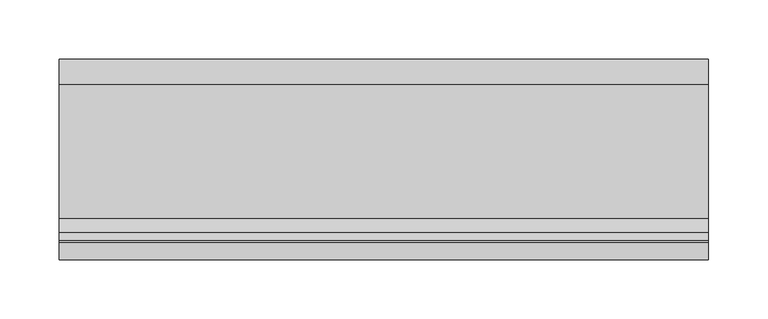
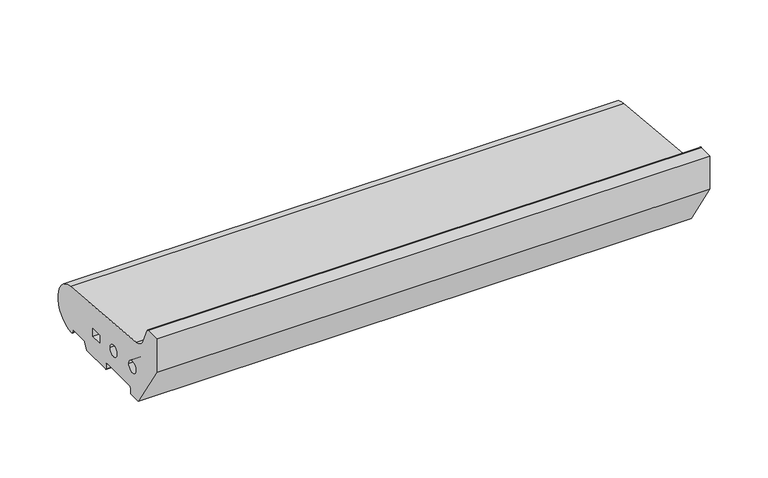
"""IFC4 building model written with IfcOpenShell, lengths in millimetres: proxy geometry."""

from ifc_helpers import new_model, si_unit, point, frame, frame_2d, origin, place, context, project, spatial, polyline, circle_curve, trimmed, segment, composite_curve, outline, extrude, source, transform, mapped, element, save


def generic_models_104a45ad(model_context):
    return source(origin(), model_context, "Body", "SweptSolid", [
        extrude(outline(composite_curve([segment(trimmed(circle_curve(frame_2d((26.0, 26.5)), 24.0), [point((28.0858073, 50.4091909))], [point((26.5981483, 2.5074549))], False, "CARTESIAN"), True, "CONTINUOUS"), segment(trimmed(circle_curve(frame_2d((26.5732255, 3.5071443)), 1.0), [point((26.5981483, 2.5074549))], [point((25.7072001, 3.0071443))], False, "CARTESIAN"), True, "CONTINUOUS"), segment(polyline([(25.7072001, 3.0071443), (23.6905989, 6.5)]), True, "CONTINUOUS"), segment(trimmed(circle_curve(frame_2d((21.9585481, 5.5)), 2.0), [point((23.6905989, 6.5))], [point((21.9585481, 7.5))], True, "CARTESIAN"), True, "CONTINUOUS"), segment(polyline([(21.9585481, 7.5), (5.4848276, 7.5)]), True, "CONTINUOUS"), segment(trimmed(circle_curve(frame_2d((5.4848276, 5.5)), 2.0), [point((5.4848276, 7.5))], [point((3.7527767, 6.5))], True, "CARTESIAN"), True, "CONTINUOUS"), segment(polyline([(3.7527767, 6.5), (0.2886751, 0.5)]), True, "CONTINUOUS"), segment(trimmed(circle_curve(frame_2d((-0.5773503, 1.0)), 1.0), [point((0.2886751, 0.5))], [point((-0.5773503, 0.0))], False, "CARTESIAN"), True, "CONTINUOUS"), segment(polyline([(-0.5773503, 0.0), (-32.0, 0.0)]), True, "CONTINUOUS"), segment(trimmed(circle_curve(frame_2d((-32.0, 1.0)), 1.0), [point((-32.0, 0.0))], [point((-33.0, 1.0))], False, "CARTESIAN"), True, "CONTINUOUS"), segment(polyline([(-33.0, 1.0), (-33.0, 5.5)]), True, "CONTINUOUS"), segment(trimmed(circle_curve(frame_2d((-35.0, 5.5)), 2.0), [point((-33.0, 5.5))], [point((-35.0, 7.5))], True, "CARTESIAN"), True, "CONTINUOUS"), segment(polyline([(-35.0, 7.5), (-73.0, 7.5)]), True, "CONTINUOUS"), segment(trimmed(circle_curve(frame_2d((-73.0, 5.5)), 2.0), [point((-73.0, 7.5))], [point((-75.0, 5.5))], True, "CARTESIAN"), True, "CONTINUOUS"), segment(polyline([(-75.0, 5.5), (-75.0, 1.0)]), True, "CONTINUOUS"), segment(trimmed(circle_curve(frame_2d((-76.0, 1.0)), 1.0), [point((-75.0, 1.0))], [point((-76.0, 0.0))], False, "CARTESIAN"), True, "CONTINUOUS"), segment(polyline([(-76.0, 0.0), (-88.0, 0.0), (-120.0, 50.0), (-120.0, 85.0), (-105.2988152, 85.0)]), True, "CONTINUOUS"), segment(trimmed(circle_curve(frame_2d((-105.2988152, 83.0)), 2.0), [point((-105.2988152, 85.0))], [point((-103.4717243, 83.8134733))], False, "CARTESIAN"), True, "CONTINUOUS"), segment(polyline([(-103.4717243, 83.8134733), (-96.6696696, 68.5358083)]), True, "CONTINUOUS"), segment(trimmed(circle_curve(frame_2d((-83.8800332, 74.2301213)), 14.0), [point((-96.6696696, 68.5358083))], [point((-85.0967541, 60.2830933))], True, "CARTESIAN"), True, "CONTINUOUS"), segment(polyline([(-85.0967541, 60.2830933), (28.0858073, 50.4091909)]), True, "CONTINUOUS")], self_intersect=False), holes=[polyline([(-9.5, 28.9289), (-21.5, 28.9289), (-21.5, 20.9289), (-9.5, 20.9289), (-9.5, 28.9289)]), composite_curve([segment(trimmed(circle_curve(frame_2d((-45.5, 27.333)), 6.0), [point((-51.5, 27.333))], [point((-39.5, 27.333))], True, "CARTESIAN"), True, "CONTINUOUS"), segment(trimmed(circle_curve(frame_2d((-45.5, 27.333)), 6.0), [point((-39.5, 27.333))], [point((-51.5, 27.333))], True, "CARTESIAN"), True, "CONTINUOUS")], self_intersect=False), composite_curve([segment(trimmed(circle_curve(frame_2d((-78.0, 30.0)), 6.0), [point((-84.0, 30.0))], [point((-72.0, 30.0))], True, "CARTESIAN"), True, "CONTINUOUS"), segment(trimmed(circle_curve(frame_2d((-78.0, 30.0)), 6.0), [point((-72.0, 30.0))], [point((-84.0, 30.0))], True, "CARTESIAN"), True, "CONTINUOUS")], self_intersect=False)]), frame((0.0, 0.0, 0.0), z_axis=(1.0, 0.0, 0.0), x_axis=(0.0, 1.0, 0.0)), (0.0, 0.0, 1.0), 550.0),
    ])


if __name__ == "__main__":
    model = new_model("IFC4")
    model_context = context("Model", 3, world=origin())
    ifc_project = project(units=[si_unit("LENGTHUNIT", "METRE", prefix="MILLI")], contexts=[model_context])
    site = spatial("IfcSite", under=ifc_project)
    building = spatial("IfcBuilding", under=site)
    placement = place(None, origin())
    generic_models_shape = generic_models_104a45ad(model_context)
    element("IfcBuildingElementProxy", 1, Name="Generic Models", at=placement, inside=building, context=model_context, shape_type="MappedRepresentation", body=[
        mapped(generic_models_shape, transform((0.0, 0.0, 0.0), x_axis=(1.0, 0.0, 0.0), y_axis=(0.0, 1.0, 0.0), z_axis=(0.0, 0.0, 1.0))),
    ])
    save(model, "model.ifc")
